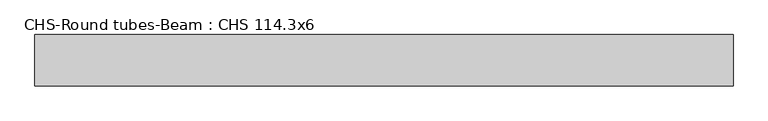
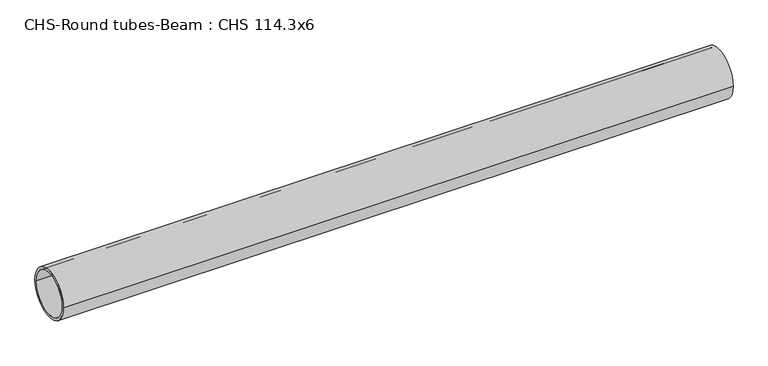
"""IFC4 building model written with IfcOpenShell, lengths in millimetres: beam geometry, CHS-Round tubes-Beam : CHS 114.3x6."""

from ifc_helpers import new_model, si_unit, point, frame, origin, origin_2d, place, context, project, spatial, circle_curve, trimmed, segment, composite_curve, outline, extrude, source, transform, mapped, element, save


def chs_round_tubes_beam_chs_114_3x6_b9f414bf(model_context):
    return source(origin(), model_context, "Body", "SweptSolid", [
        extrude(outline(composite_curve([segment(trimmed(circle_curve(origin_2d(), 57.15), [point((57.15, 0.0))], [point((-57.15, 0.0))], False, "CARTESIAN"), True, "CONTINUOUS"), segment(trimmed(circle_curve(origin_2d(), 57.15), [point((-57.15, 0.0))], [point((57.15, 0.0))], False, "CARTESIAN"), True, "CONTINUOUS")], self_intersect=False), holes=[composite_curve([segment(trimmed(circle_curve(origin_2d(), 51.15), [point((51.15, 0.0))], [point((-51.15, 0.0))], True, "CARTESIAN"), True, "CONTINUOUS"), segment(trimmed(circle_curve(origin_2d(), 51.15), [point((-51.15, 0.0))], [point((51.15, 0.0))], True, "CARTESIAN"), True, "CONTINUOUS")], self_intersect=False)]), frame((-790.0861771, 0.0, 0.0), z_axis=(1.0, 0.0, 0.0), x_axis=(0.0, 1.0, 0.0)), (0.0, 0.0, 1.0), 1555.4813534),
    ])


if __name__ == "__main__":
    model = new_model("IFC4")
    model_context = context("Model", 3, world=origin())
    ifc_project = project(units=[si_unit("LENGTHUNIT", "METRE", prefix="MILLI")], contexts=[model_context])
    site = spatial("IfcSite", under=ifc_project)
    building = spatial("IfcBuilding", under=site)
    placement = place(None, origin())
    chs_round_tubes_beam_chs_114_3x6_shape = chs_round_tubes_beam_chs_114_3x6_b9f414bf(model_context)
    element("IfcBeam", 1, ObjectType="CHS-Round tubes-Beam : CHS 114.3x6", at=placement, inside=building, context=model_context, shape_type="MappedRepresentation", body=[
        mapped(chs_round_tubes_beam_chs_114_3x6_shape, transform((0.0, 0.0, 0.0), x_axis=(1.0, 0.0, 0.0), y_axis=(0.0, 1.0, 0.0), z_axis=(0.0, 0.0, 1.0))),
    ])
    save(model, "model.ifc")
